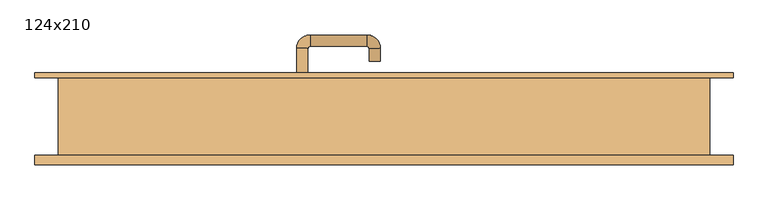
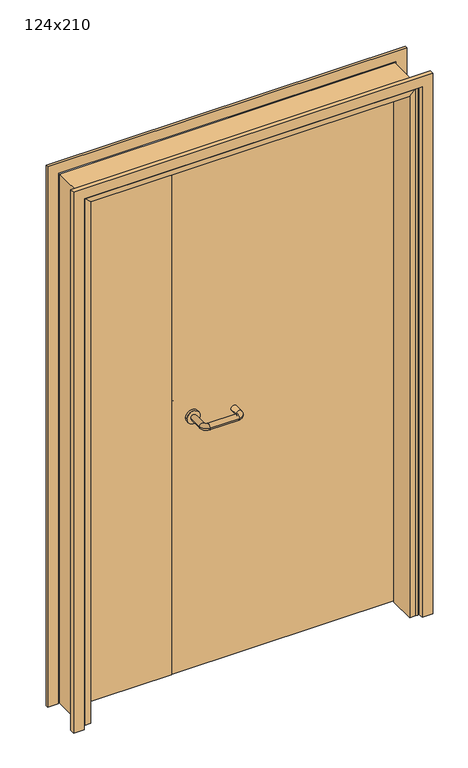
"""IFC4 building model written with IfcOpenShell, lengths in millimetres: door geometry, 124x210."""

from ifc_helpers import new_model, si_unit, point, frame, frame_2d, origin, place, context, project, spatial, polyline, circle_curve, ellipse_curve, trimmed, segment, composite_curve, outline, extrude, faceted_brep, source, transform, mapped, element, save
from ifc_brep_helpers import plane_surface, cylinder_surface, revolved_surface, advanced_brep


def door_124x210_d49eac53(model_context):
    return source(origin(), model_context, "Body", "SolidModel", [
        extrude(outline(polyline([(2145.0, 675.0), (2145.0, -675.0), (0.0, -675.0), (0.0, -635.0), (2105.0, -635.0), (2105.0, 635.0), (0.0, 635.0), (0.0, 675.0), (2145.0, 675.0)])), frame((0.0, 75.0, 0.0), z_axis=(0.0, 1.0, 0.0), x_axis=(0.0, 0.0, 1.0)), (0.0, 0.0, 1.0), 10.0),
        extrude(outline(polyline([(2145.0, -675.0), (0.0, -675.0), (0.0, -635.0), (2105.0, -635.0), (2105.0, 635.0), (0.0, 635.0), (0.0, 675.0), (2145.0, 675.0), (2145.0, -675.0)])), frame((0.0, -93.0, 0.0), z_axis=(0.0, 1.0, 0.0), x_axis=(0.0, 0.0, 1.0)), (0.0, 0.0, 1.0), 18.0),
        faceted_brep([(599.0, -74.0, 0.0), (599.0, 28.0, 0.0), (620.0, 28.0, 0.0), (620.0, -74.0, 0.0), (599.0, -74.0, 2069.0), (599.0, 28.0, 2069.0), (620.0, 28.0, 2090.0), (620.0, -74.0, 2090.0), (-599.0, -74.0, 0.0), (-620.0, -74.0, 0.0), (-620.0, 28.0, 0.0), (-599.0, 28.0, 0.0), (-599.0, -74.0, 2069.0), (-620.0, -74.0, 2090.0), (-620.0, 28.0, 2090.0), (-599.0, 28.0, 2069.0)], [[[0, 1, 2, 3]], [[1, 0, 4, 5]], [[2, 1, 5, 6]], [[3, 2, 6, 7]], [[0, 3, 7, 4]], [[8, 9, 10, 11]], [[12, 13, 9, 8]], [[13, 14, 10, 9]], [[14, 15, 11, 10]], [[15, 12, 8, 11]], [[5, 4, 12, 15]], [[6, 5, 15, 14]], [[7, 6, 14, 13]], [[4, 7, 13, 12]]]),
        extrude(outline(polyline([(2100.0, -630.0), (0.0, -630.0), (0.0, -620.0), (2090.0, -620.0), (2090.0, 620.0), (0.0, 620.0), (0.0, 630.0), (2100.0, 630.0), (2100.0, -630.0)])), frame((0.0, -74.0, 0.0), z_axis=(0.0, 1.0, 0.0), x_axis=(0.0, 0.0, 1.0)), (0.0, 0.0, 1.0), 149.0),
        advanced_brep(
        [(-169.0, 20.8874183, 1003.0), (-147.0, 20.8874183, 1003.0), (-147.0, -33.9968061, 1003.0), (-169.0, -33.9968061, 1003.0), (-143.0, -59.9968061, 1003.0), (-143.0, -37.9968061, 1003.0), (-33.0, -37.9968061, 1003.0), (-33.0, -59.9968061, 1003.0), (-7.0, -33.9968061, 1003.0), (-29.0, -33.9968061, 1003.0), (-29.0, 0.0, 1003.0), (-7.0, 0.0, 1003.0)],
        [
            (0, 1, circle_curve(frame((-158.0, 20.8874183, 1003.0), z_axis=(0.0, 1.0, 0.0), x_axis=(1.0, 0.0, 0.0)), 11.0)),
            (1, 0, circle_curve(frame((-158.0, 20.8874183, 1003.0), z_axis=(0.0, 1.0, 0.0), x_axis=(1.0, 0.0, 0.0)), 11.0)),
            (1, 2),
            (2, 3, circle_curve(frame((-158.0, -33.9968061, 1003.0), z_axis=(0.0, 1.0, 0.0), x_axis=(1.0, 0.0, 0.0)), 11.0)),
            (3, 0),
            (4, 3, circle_curve(frame((-143.0, -33.9968061, 1003.0), z_axis=(0.0, 0.0, -1.0), x_axis=(-1.0, 0.0, 0.0)), 26.0)),
            (2, 5, circle_curve(frame((-143.0, -33.9968061, 1003.0), z_axis=(0.0, 0.0, 1.0), x_axis=(-1.0, 0.0, 0.0)), 4.0)),
            (5, 4, circle_curve(frame((-143.0, -48.9968061, 1003.0), z_axis=(-1.0, 0.0, 0.0), x_axis=(0.0, 1.0, 0.0)), 11.0)),
            (5, 6),
            (6, 7, circle_curve(frame((-33.0, -48.9968061, 1003.0), z_axis=(-1.0, 0.0, 0.0), x_axis=(0.0, 1.0, 0.0)), 11.0)),
            (7, 4),
            (8, 7, circle_curve(frame((-33.0, -33.9968061, 1003.0), z_axis=(0.0, 0.0, -1.0), x_axis=(0.0, -1.0, 0.0)), 26.0)),
            (6, 9, circle_curve(frame((-33.0, -33.9968061, 1003.0), z_axis=(0.0, 0.0, 1.0), x_axis=(0.0, -1.0, 0.0)), 4.0)),
            (9, 8, circle_curve(frame((-18.0, -33.9968061, 1003.0), z_axis=(0.0, -1.0, 0.0), x_axis=(-1.0, 0.0, 0.0)), 11.0)),
            (9, 10),
            (10, 11, circle_curve(frame((-18.0, 0.0, 1003.0), z_axis=(0.0, -1.0, 0.0), x_axis=(-1.0, 0.0, 0.0)), 11.0)),
            (11, 8),
            (10, 11, circle_curve(frame((-18.0, 0.0, 1003.0), z_axis=(0.0, 1.0, 0.0), x_axis=(-1.0, 0.0, 0.0)), 11.0)),
            (3, 2, circle_curve(frame((-158.0, -33.9968061, 1003.0), z_axis=(0.0, 1.0, 0.0), x_axis=(1.0, 0.0, 0.0)), 11.0)),
            (4, 5, circle_curve(frame((-143.0, -48.9968061, 1003.0), z_axis=(-1.0, 0.0, 0.0), x_axis=(0.0, 1.0, 0.0)), 11.0)),
            (7, 6, circle_curve(frame((-33.0, -48.9968061, 1003.0), z_axis=(-1.0, 0.0, 0.0), x_axis=(0.0, 1.0, 0.0)), 11.0)),
            (8, 9, circle_curve(frame((-18.0, -33.9968061, 1003.0), z_axis=(0.0, -1.0, 0.0), x_axis=(-1.0, 0.0, 0.0)), 11.0)),
        ],
        [
            plane_surface(frame((-169.0, 20.8874183, 1003.0), z_axis=(0.0, 1.0, 0.0), x_axis=(0.0, 0.0, -1.0))),
            cylinder_surface(frame((-158.0, 20.8874183, 1003.0), z_axis=(0.0, 1.0, 0.0), x_axis=(1.0, 0.0, 0.0)), 11.0),
            revolved_surface(trimmed(ellipse_curve(frame((-158.0, -33.9968061, 1003.0), z_axis=(0.0, 1.0, 0.0), x_axis=(1.0, 0.0, 0.0)), 11.0, 11.0), [point((-147.0, -33.9968061, 1003.0))], [point((-169.0, -33.9968061, 1003.0))], True, "CARTESIAN"), (-143.0, -33.9968061, 1003.0), (0.0, 0.0, 1.0)),
            cylinder_surface(frame((-143.0, -48.9968061, 1003.0), z_axis=(-1.0, 0.0, 0.0), x_axis=(0.0, 1.0, 0.0)), 11.0),
            revolved_surface(trimmed(ellipse_curve(frame((-33.0, -48.9968061, 1003.0), z_axis=(-1.0, 0.0, 0.0), x_axis=(0.0, 1.0, 0.0)), 11.0, 11.0), [point((-33.0, -37.9968061, 1003.0))], [point((-33.0, -59.9968061, 1003.0))], True, "CARTESIAN"), (-33.0, -33.9968061, 1003.0), (0.0, 0.0, 1.0)),
            cylinder_surface(frame((-18.0, -33.9968061, 1003.0), z_axis=(0.0, -1.0, 0.0), x_axis=(-1.0, 0.0, 0.0)), 11.0),
            plane_surface(frame((-29.0, 0.0, 1003.0), z_axis=(0.0, 1.0, 0.0), x_axis=(0.0, 0.0, 1.0))),
            revolved_surface(trimmed(ellipse_curve(frame((-158.0, -33.9968061, 1003.0), z_axis=(0.0, 1.0, 0.0), x_axis=(1.0, 0.0, 0.0)), 11.0, 11.0), [point((-169.0, -33.9968061, 1003.0))], [point((-147.0, -33.9968061, 1003.0))], True, "CARTESIAN"), (-143.0, -33.9968061, 1003.0), (0.0, 0.0, 1.0)),
            revolved_surface(trimmed(ellipse_curve(frame((-33.0, -48.9968061, 1003.0), z_axis=(-1.0, 0.0, 0.0), x_axis=(0.0, 1.0, 0.0)), 11.0, 11.0), [point((-33.0, -59.9968061, 1003.0))], [point((-33.0, -37.9968061, 1003.0))], True, "CARTESIAN"), (-33.0, -33.9968061, 1003.0), (0.0, 0.0, 1.0)),
        ],
        [
            (0, [[1, 2]]),
            (1, [[-2, 3, 4, 5]]),
            (2, [[6, -4, 7, 8]]),
            (3, [[-8, 9, 10, 11]]),
            (4, [[12, -10, 13, 14]]),
            (5, [[-14, 15, 16, 17]]),
            (6, [[-16, 18]]),
            (1, [[-1, -5, 19, -3]]),
            (7, [[-7, -19, -6, 20]]),
            (3, [[-20, -11, 21, -9]]),
            (8, [[-13, -21, -12, 22]]),
            (5, [[-22, -17, -18, -15]]),
        ],
    ),
        extrude(outline(polyline([(-234.99898, 31.0), (-617.0, 31.0), (-617.0, 75.0), (-234.99898, 75.0), (-234.99898, 31.0)])), frame((0.0, 0.0, 3.0), z_axis=(0.0, 0.0, 1.0), x_axis=(1.0, 0.0, 0.0)), (0.0, 0.0, 1.0), 2084.0),
        extrude(outline(polyline([(617.0, 31.0), (-233.0, 31.0), (-233.0, 75.0), (617.0, 75.0), (617.0, 31.0)])), frame((0.0, 0.0, 3.0), z_axis=(0.0, 0.0, 1.0), x_axis=(1.0, 0.0, 0.0)), (0.0, 0.0, 1.0), 2084.0),
        extrude(outline(composite_curve([segment(trimmed(circle_curve(frame_2d((1003.0, -158.0)), 25.0), [point((1003.0, -183.0))], [point((1003.0, -133.0))], False, "CARTESIAN"), True, "CONTINUOUS"), segment(trimmed(circle_curve(frame_2d((1003.0, -158.0)), 25.0), [point((1003.0, -133.0))], [point((1003.0, -183.0))], False, "CARTESIAN"), True, "CONTINUOUS")], self_intersect=False)), frame((0.0, 20.8874183, 0.0), z_axis=(0.0, 1.0, 0.0), x_axis=(0.0, 0.0, 1.0)), (0.0, 0.0, 1.0), 10.1125817),
        advanced_brep(
        [(-147.0, 77.0, 1003.0), (-169.0, 77.0, 1003.0), (-169.0, 132.0, 1003.0), (-147.0, 132.0, 1003.0), (-143.0, 136.0, 1003.0), (-143.0, 158.0, 1003.0), (-33.0, 158.0, 1003.0), (-33.0, 136.0, 1003.0), (-29.0, 132.0, 1003.0), (-7.0, 132.0, 1003.0), (-7.0, 107.0, 1003.0), (-29.0, 107.0, 1003.0)],
        [
            (0, 1, circle_curve(frame((-158.0, 77.0, 1003.0), z_axis=(0.0, -1.0, 0.0), x_axis=(-1.0, 0.0, 0.0)), 11.0)),
            (1, 0, circle_curve(frame((-158.0, 77.0, 1003.0), z_axis=(0.0, -1.0, 0.0), x_axis=(-1.0, 0.0, 0.0)), 11.0)),
            (1, 2),
            (2, 3, circle_curve(frame((-158.0, 132.0, 1003.0), z_axis=(0.0, -1.0, 0.0), x_axis=(-1.0, 0.0, 0.0)), 11.0)),
            (3, 0),
            (4, 3, circle_curve(frame((-143.0, 132.0, 1003.0), z_axis=(0.0, 0.0, 1.0), x_axis=(-1.0, 0.0, 0.0)), 4.0)),
            (2, 5, circle_curve(frame((-143.0, 132.0, 1003.0), z_axis=(0.0, 0.0, -1.0), x_axis=(-1.0, 0.0, 0.0)), 26.0)),
            (5, 4, circle_curve(frame((-143.0, 147.0, 1003.0), z_axis=(-1.0, 0.0, 0.0), x_axis=(0.0, 1.0, 0.0)), 11.0)),
            (5, 6),
            (6, 7, circle_curve(frame((-33.0, 147.0, 1003.0), z_axis=(-1.0, 0.0, 0.0), x_axis=(0.0, 1.0, 0.0)), 11.0)),
            (7, 4),
            (8, 7, circle_curve(frame((-33.0, 132.0, 1003.0), z_axis=(0.0, 0.0, 1.0), x_axis=(0.0, 1.0, 0.0)), 4.0)),
            (6, 9, circle_curve(frame((-33.0, 132.0, 1003.0), z_axis=(0.0, 0.0, -1.0), x_axis=(0.0, 1.0, 0.0)), 26.0)),
            (9, 8, circle_curve(frame((-18.0, 132.0, 1003.0), z_axis=(0.0, 1.0, 0.0), x_axis=(1.0, 0.0, 0.0)), 11.0)),
            (9, 10),
            (10, 11, circle_curve(frame((-18.0, 107.0, 1003.0), z_axis=(0.0, 1.0, 0.0), x_axis=(1.0, 0.0, 0.0)), 11.0)),
            (11, 8),
            (10, 11, circle_curve(frame((-18.0, 107.0, 1003.0), z_axis=(0.0, -1.0, 0.0), x_axis=(1.0, 0.0, 0.0)), 11.0)),
            (3, 2, circle_curve(frame((-158.0, 132.0, 1003.0), z_axis=(0.0, -1.0, 0.0), x_axis=(-1.0, 0.0, 0.0)), 11.0)),
            (4, 5, circle_curve(frame((-143.0, 147.0, 1003.0), z_axis=(-1.0, 0.0, 0.0), x_axis=(0.0, 1.0, 0.0)), 11.0)),
            (7, 6, circle_curve(frame((-33.0, 147.0, 1003.0), z_axis=(-1.0, 0.0, 0.0), x_axis=(0.0, 1.0, 0.0)), 11.0)),
            (8, 9, circle_curve(frame((-18.0, 132.0, 1003.0), z_axis=(0.0, 1.0, 0.0), x_axis=(1.0, 0.0, 0.0)), 11.0)),
        ],
        [
            plane_surface(frame((-169.0, 77.0, 1003.0), z_axis=(0.0, -1.0, 0.0), x_axis=(0.0, 0.0, 1.0))),
            cylinder_surface(frame((-158.0, 77.0, 1003.0), z_axis=(0.0, -1.0, 0.0), x_axis=(-1.0, 0.0, 0.0)), 11.0),
            revolved_surface(trimmed(ellipse_curve(frame((-158.0, 132.0, 1003.0), z_axis=(0.0, -1.0, 0.0), x_axis=(-1.0, 0.0, 0.0)), 11.0, 11.0), [point((-169.0, 132.0, 1003.0))], [point((-147.0, 132.0, 1003.0))], True, "CARTESIAN"), (-143.0, 132.0, 1003.0), (0.0, 0.0, -1.0)),
            cylinder_surface(frame((-143.0, 147.0, 1003.0), z_axis=(-1.0, 0.0, 0.0), x_axis=(0.0, 1.0, 0.0)), 11.0),
            revolved_surface(trimmed(ellipse_curve(frame((-33.0, 147.0, 1003.0), z_axis=(-1.0, 0.0, 0.0), x_axis=(0.0, 1.0, 0.0)), 11.0, 11.0), [point((-33.0, 158.0, 1003.0))], [point((-33.0, 136.0, 1003.0))], True, "CARTESIAN"), (-33.0, 132.0, 1003.0), (0.0, 0.0, -1.0)),
            cylinder_surface(frame((-18.0, 132.0, 1003.0), z_axis=(0.0, 1.0, 0.0), x_axis=(1.0, 0.0, 0.0)), 11.0),
            plane_surface(frame((-29.0, 107.0, 1003.0), z_axis=(0.0, -1.0, 0.0), x_axis=(0.0, 0.0, -1.0))),
            revolved_surface(trimmed(ellipse_curve(frame((-158.0, 132.0, 1003.0), z_axis=(0.0, -1.0, 0.0), x_axis=(-1.0, 0.0, 0.0)), 11.0, 11.0), [point((-147.0, 132.0, 1003.0))], [point((-169.0, 132.0, 1003.0))], True, "CARTESIAN"), (-143.0, 132.0, 1003.0), (0.0, 0.0, -1.0)),
            revolved_surface(trimmed(ellipse_curve(frame((-33.0, 147.0, 1003.0), z_axis=(-1.0, 0.0, 0.0), x_axis=(0.0, 1.0, 0.0)), 11.0, 11.0), [point((-33.0, 136.0, 1003.0))], [point((-33.0, 158.0, 1003.0))], True, "CARTESIAN"), (-33.0, 132.0, 1003.0), (0.0, 0.0, -1.0)),
        ],
        [
            (0, [[1, 2]]),
            (1, [[-2, 3, 4, 5]]),
            (2, [[6, -4, 7, 8]]),
            (3, [[-8, 9, 10, 11]]),
            (4, [[12, -10, 13, 14]]),
            (5, [[-14, 15, 16, 17]]),
            (6, [[-16, 18]]),
            (1, [[-1, -5, 19, -3]]),
            (7, [[-7, -19, -6, 20]]),
            (3, [[-20, -11, 21, -9]]),
            (8, [[-13, -21, -12, 22]]),
            (5, [[-22, -17, -18, -15]]),
        ],
    ),
        extrude(outline(composite_curve([segment(trimmed(circle_curve(frame_2d((1003.0, -158.0)), 25.0), [point((1003.0, -133.0))], [point((1003.0, -183.0))], False, "CARTESIAN"), True, "CONTINUOUS"), segment(trimmed(circle_curve(frame_2d((1003.0, -158.0)), 25.0), [point((1003.0, -183.0))], [point((1003.0, -133.0))], False, "CARTESIAN"), True, "CONTINUOUS")], self_intersect=False)), frame((0.0, 75.0, 0.0), z_axis=(0.0, 1.0, 0.0), x_axis=(0.0, 0.0, 1.0)), (0.0, 0.0, 1.0), 2.0),
    ])


if __name__ == "__main__":
    model = new_model("IFC4")
    model_context = context("Model", 3, world=origin())
    ifc_project = project(units=[si_unit("LENGTHUNIT", "METRE", prefix="MILLI")], contexts=[model_context])
    site = spatial("IfcSite", under=ifc_project)
    building = spatial("IfcBuilding", under=site)
    placement = place(None, origin())
    door_124x210_shape = door_124x210_d49eac53(model_context)
    element("IfcDoor", 1, ObjectType="124x210", at=placement, inside=building, context=model_context, shape_type="MappedRepresentation", body=[
        mapped(door_124x210_shape, transform((0.0, 0.0, 0.0), x_axis=(1.0, 0.0, 0.0), y_axis=(0.0, 1.0, 0.0), z_axis=(0.0, 0.0, 1.0))),
    ])
    save(model, "model.ifc")
